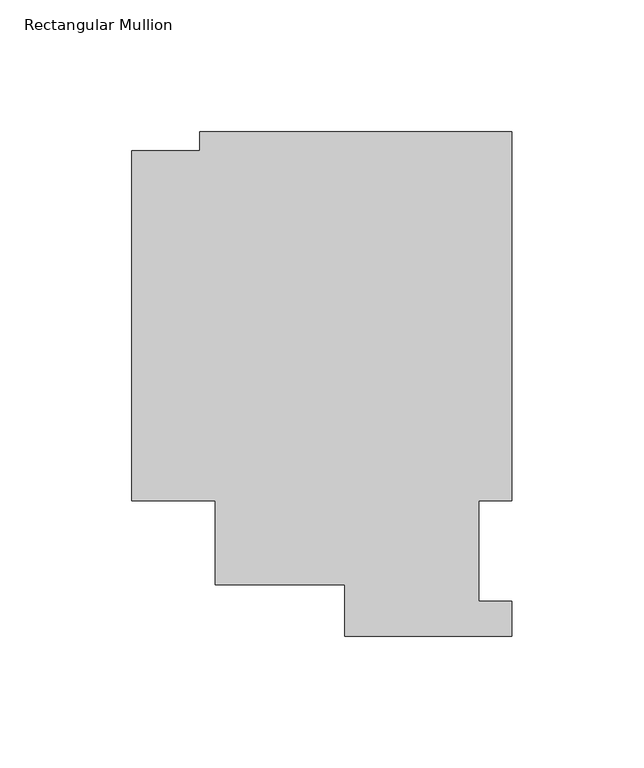
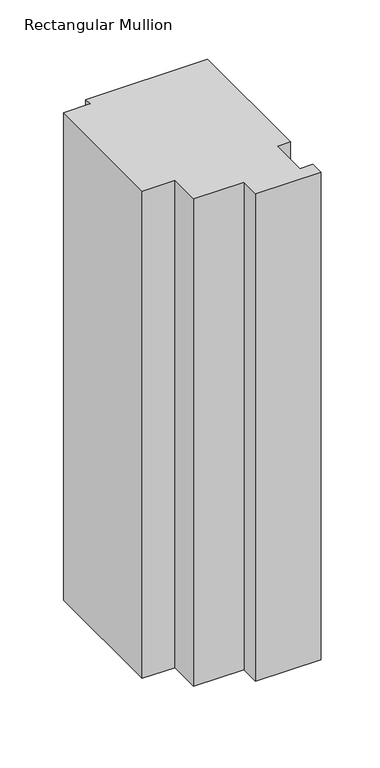
"""IFC4 building model written with IfcOpenShell, lengths in millimetres: member geometry, Rectangular Mullion."""

from ifc_helpers import new_model, si_unit, frame, origin, place, context, project, spatial, polyline, outline, extrude, source, transform, mapped, element, save


def rectangular_mullion_456cf2bd(model_context):
    return source(origin(), model_context, "Body", "SweptSolid", [
        extrude(outline(polyline([(-118.6168161, 191.4989863), (0.0, 191.4989863), (0.0, 51.2960937), (-12.6873001, 51.2960937), (-12.6873001, 13.1960938), (-1e-07, 13.1960938), (-1e-07, 0.0134938), (-63.5000001, 0.0134938), (-63.5000001, 19.5430757), (-112.6644875, 19.5430757), (-112.6644875, 51.2960938), (-144.3735814, 51.2960938), (-144.3735814, 184.2620757), (-118.6168161, 184.2620757), (-118.6168161, 191.4989863)])), frame((0.0, 0.0, -501.6500002), z_axis=(0.0, 0.0, 1.0), x_axis=(1.0, 0.0, 0.0)), (0.0, 0.0, 1.0), 501.6500002),
    ])


if __name__ == "__main__":
    model = new_model("IFC4")
    model_context = context("Model", 3, world=origin())
    ifc_project = project(units=[si_unit("LENGTHUNIT", "METRE", prefix="MILLI")], contexts=[model_context])
    site = spatial("IfcSite", under=ifc_project)
    building = spatial("IfcBuilding", under=site)
    placement = place(None, origin())
    rectangular_mullion_shape = rectangular_mullion_456cf2bd(model_context)
    element("IfcMember", 1, ObjectType="Rectangular Mullion", at=placement, inside=building, context=model_context, shape_type="MappedRepresentation", body=[
        mapped(rectangular_mullion_shape, transform((0.0, 0.0, 0.0), x_axis=(1.0, 0.0, 0.0), y_axis=(0.0, 1.0, 0.0), z_axis=(0.0, 0.0, 1.0))),
    ])
    save(model, "model.ifc")
